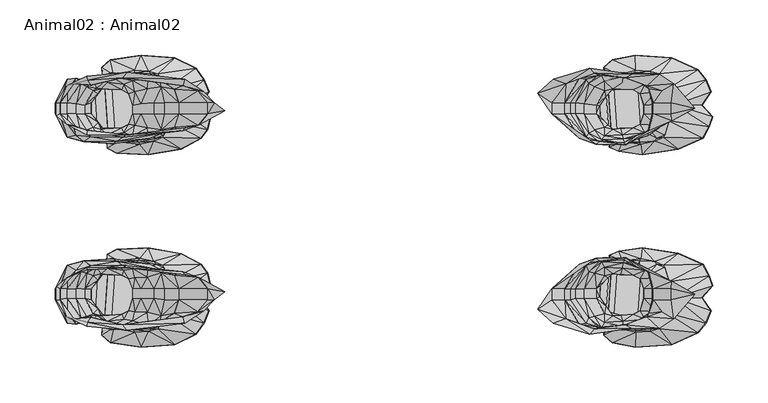
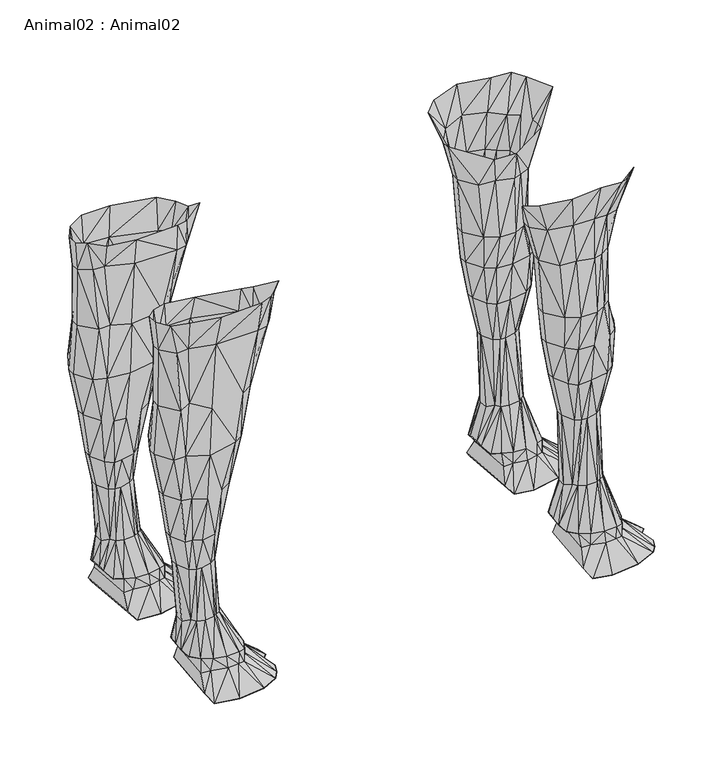
"""IFC4 building model written with IfcOpenShell, lengths in millimetres: geographic element geometry, Animal02 : Animal02."""

from ifc_helpers import new_model, si_unit, origin, place, context, project, spatial, triangles, source, transform, mapped, element, save


def animal02_animal02_50c117e9(model_context):
    return source(origin(), model_context, "Body", "Tessellation", [
        triangles([(-537.8951108, 141.2331943, -1.4274298), (-531.5727496, 50.8188594, -1.4274298), (-476.4529309, 65.9480595, -0.1113522), (-467.5698249, 85.2579954, -0.8477246), (-470.7738808, 76.2052504, -0.8477246), (-470.7738808, -58.8252293, -0.8477246), (-505.0025691, -121.5916698, -0.1113522), (-499.1945297, -38.5327815, -0.1113522), (-477.4254733, -78.6441186, -0.8477246), (-473.7796203, -101.8096741, -0.8477246), (-553.1861833, -36.5630185, -0.8477246), (-537.8951108, -123.8531687, -1.4274298), (-553.1861833, 53.9430373, -0.8477246), (-561.5911572, 57.7211179, 10.7463758), (-558.9914248, -119.5810639, -0.8477246), (-561.5911572, -40.3411014, 10.7463758), (-509.6357165, 110.0181665, 31.6157573), (-480.794381, 128.0339364, -0.1113522), (-524.7623005, 126.7641465, 31.6157573), (-516.4507439, 124.3216721, 30.4563464), (-505.0025691, 138.9716863, -0.1113522), (-553.6109393, 123.6594941, 32.1954617), (-558.9914248, 136.9610805, -0.8477246), (-537.6010154, 127.4227364, 31.6157573), (-566.6598885, 130.2070959, 10.7463758), (-499.1945297, 55.9127981, -0.1113522), (-532.9288078, 60.6074334, 31.6157573), (-520.3067222, 63.0464061, 31.6157573), (-549.351897, 62.7521335, 32.1954617), (-507.6579666, 81.7346458, 31.6157573), (-512.4159974, 66.6218601, 30.4563464), (-559.3822803, 64.8283104, 29.8766398), (-563.2547547, 120.20757, 29.8766398), (-473.7796203, 119.1896997, -0.8477246), (-469.1640953, 108.0571398, -0.8477246), (-477.4254733, 96.0241352, -0.8477246), (-502.1714192, 96.3292037, 31.6157573), (-467.5698249, -67.8779834, -0.8477246), (-469.1640953, -90.6771232, -0.8477246), (-502.1714192, -78.9491872, 31.6157573), (-553.6109393, -106.2794776, 32.1954617), (-566.6598885, -112.8270794, 10.7463758), (-563.2547547, -102.8275535, 29.8766398), (-537.6010154, -110.042729, 31.6157573), (-524.7623005, -109.38413, 31.6157573), (-480.794381, -110.6539199, -0.1113522), (-516.4507439, -106.9416555, 30.4563464), (-509.6357165, -92.6381409, 31.6157573), (-531.5727496, -33.438836, -1.4274298), (-532.9288078, -43.2274123, 31.6157573), (-549.351897, -45.372117, 32.1954617), (-559.3822803, -47.4482893, 29.8766398), (-476.4529309, -48.5680384, -0.1113522), (-507.6579666, -64.3546247, 31.6157573), (-520.3067222, -45.6663895, 31.6157573), (-512.4159974, -49.241839, 30.4563464), (-922.910309, 85.2167916, -0.8477283), (-932.7660301, 95.9829222, -0.8477283), (-929.1201044, 119.1484958, -0.8477283), (-931.7775003, -48.298946, -0.1113559), (-932.7660301, -78.6029057, -0.8477283), (-1022.0004089, -112.7858573, 10.7463724), (-1016.8707075, -39.4272219, 10.7463724), (-925.9316362, 73.5502117, -0.8477283), (-1017.0445341, 64.7870929, 29.8766375), (-986.2705404, 141.1919723, -1.4274335), (-979.3289583, 126.7229336, 31.6157505), (-971.0174017, 124.2804591, 30.4563418), (-955.6995867, 138.9304733, -0.1113559), (-1014.3319817, 136.9198675, -0.8477283), (-992.1676369, 127.3815325, 31.6157505), (-1022.0004089, 130.1658829, 10.7463724), (-1020.9170448, 120.166357, 29.8766375), (-1011.2731567, 123.6182902, 32.1954572), (-956.7381134, 96.2879908, 31.6157505), (-924.5046158, 108.0159268, -0.8477283), (-964.2024107, 109.9769445, 31.6157505), (-936.232461, 129.3881506, -0.1113559), (-979.9601698, 50.9505056, -1.4274335), (-987.4954657, 60.5662159, 31.6157505), (-974.8733437, 63.0051977, 31.6157505), (-949.9037195, 56.0444534, -0.1113559), (-966.9826189, 66.5806426, 30.4563418), (-1007.0141144, 62.7109251, 32.1954572), (-1008.4109041, 52.2450123, -0.8477283), (-1016.8707075, 56.8072384, 10.7463724), (-931.7775003, 65.678967, -0.1113559), (-962.2246244, 81.6934329, 31.6157505), (-1020.9170448, -102.7863405, 29.8766375), (-962.2246244, -64.3134118, 31.6157505), (-925.9316362, -56.1701906, -0.8477283), (-922.910309, -67.8367705, -0.8477283), (-929.1201044, -101.7684702, -0.8477283), (-964.2024107, -92.5969279, 31.6157505), (-936.232461, -112.0081341, -0.1113559), (-971.0174017, -106.9004426, 30.4563418), (-924.5046158, -90.6359103, -0.8477283), (-956.7381134, -78.9079742, 31.6157505), (-1014.3319817, -119.5398419, -0.8477283), (-1011.2731567, -106.2382737, 32.1954572), (-992.1676369, -110.0015069, 31.6157505), (-955.6995867, -121.5504568, -0.1113559), (-979.3289583, -109.3429261, 31.6157505), (-986.2705404, -123.8119557, -1.4274335), (-1017.0445341, -47.4070763, 29.8766375), (-1007.0141144, -45.330904, 32.1954572), (-1008.4109041, -34.8649935, -0.8477283), (-987.4954657, -43.1861994, 31.6157505), (-979.9601698, -33.570489, -1.4274335), (-974.8733437, -45.6251766, 31.6157505), (-949.9037195, -38.6644323, -0.1113559), (-966.9826189, -49.200626, 30.4563418)], [[2, 23, 13], [1, 23, 2], [2, 21, 1], [2, 26, 21], [3, 18, 26], [21, 26, 18], [36, 34, 18], [35, 34, 36], [5, 36, 3], [5, 4, 36], [36, 18, 3], [6, 9, 53], [6, 38, 9], [9, 46, 53], [53, 46, 8], [7, 8, 46], [9, 10, 46], [39, 10, 9], [49, 15, 11], [12, 15, 49], [49, 7, 12], [49, 8, 7], [14, 23, 25], [14, 13, 23], [16, 15, 42], [16, 11, 15], [17, 18, 34], [17, 20, 18], [21, 20, 19], [18, 20, 21], [19, 1, 21], [19, 24, 1], [23, 24, 22], [1, 24, 23], [22, 25, 23], [22, 33, 25], [27, 13, 29], [27, 2, 13], [2, 28, 26], [27, 28, 2], [14, 29, 13], [32, 29, 14], [3, 30, 5], [31, 30, 3], [31, 26, 28], [31, 3, 26], [14, 33, 32], [25, 33, 14], [34, 37, 17], [34, 35, 37], [37, 5, 30], [4, 5, 37], [37, 35, 36], [37, 36, 4], [16, 43, 52], [42, 43, 16], [40, 6, 54], [38, 6, 40], [40, 9, 38], [40, 39, 9], [10, 40, 48], [10, 39, 40], [41, 42, 15], [41, 43, 42], [15, 44, 41], [12, 44, 15], [45, 12, 7], [45, 44, 12], [7, 47, 45], [46, 47, 7], [48, 46, 10], [48, 47, 46], [50, 11, 51], [50, 49, 11], [49, 55, 8], [50, 55, 49], [16, 51, 11], [52, 51, 16], [53, 54, 6], [56, 54, 53], [56, 8, 55], [56, 53, 8], [58, 78, 87], [64, 58, 87], [64, 57, 58], [58, 59, 78], [76, 59, 58], [79, 70, 85], [66, 70, 79], [87, 78, 82], [69, 82, 78], [79, 69, 66], [79, 82, 69], [86, 70, 72], [86, 85, 70], [91, 61, 60], [91, 92, 61], [61, 95, 60], [61, 93, 95], [97, 93, 61], [60, 95, 111], [102, 111, 95], [109, 99, 107], [104, 99, 109], [109, 102, 104], [109, 111, 102], [63, 99, 62], [63, 107, 99], [75, 64, 88], [57, 64, 75], [75, 58, 57], [86, 73, 65], [72, 73, 86], [67, 66, 69], [67, 71, 66], [69, 68, 67], [78, 68, 69], [70, 71, 74], [66, 71, 70], [74, 72, 70], [74, 73, 72], [59, 75, 77], [59, 76, 75], [75, 76, 58], [77, 78, 59], [77, 68, 78], [79, 81, 82], [80, 81, 79], [83, 82, 81], [83, 87, 82], [80, 85, 84], [80, 79, 85], [86, 84, 85], [65, 84, 86], [87, 88, 64], [83, 88, 87], [63, 89, 105], [62, 89, 63], [98, 91, 90], [92, 91, 98], [94, 95, 93], [94, 96, 95], [98, 97, 61], [93, 98, 94], [93, 97, 98], [100, 62, 99], [100, 89, 62], [99, 101, 100], [104, 101, 99], [102, 96, 103], [95, 96, 102], [103, 104, 102], [103, 101, 104], [98, 61, 92], [60, 90, 91], [112, 90, 60], [63, 106, 107], [105, 106, 63], [108, 107, 106], [108, 109, 107], [112, 111, 110], [112, 60, 111], [109, 110, 111], [108, 110, 109]], closed=False),
        triangles([(-626.4339289, 106.7232187, 478.3261814), (-612.2993265, 119.200464, 481.6544666), (-579.1497148, 129.3646419, 484.5214065), (-541.2188905, 123.8585281, 482.6101132), (-503.2881389, 115.1070002, 476.2392085), (-516.3567089, 123.7800809, 481.0174052), (-513.9177226, 108.7583415, 435.6174511), (-505.1947449, 98.0631368, 433.3433167), (-505.0500226, 81.4723526, 432.4787255), (-484.0348083, 93.1904873, 470.1429236), (-484.0348083, -75.8104707, 470.1429236), (-505.1947449, -80.6831112, 433.3433167), (-503.2881389, -97.7269836, 476.2392085), (-513.9177226, -91.378325, 435.6174511), (-527.5711043, -96.0944888, 437.1335286), (-613.6633421, -70.8248739, 442.0608441), (-626.4339289, -89.3432021, 478.3261814), (-541.2188905, -106.4785025, 482.6101132), (-516.3567089, -106.4000552, 481.0174052), (-579.1497148, -111.9846253, 484.5214065), (-601.147718, -97.9069599, 443.9560046), (-612.2993265, -101.8204474, 481.6544666), (-505.0500226, -64.0923406, 432.4787255), (-1053.5418703, 113.6311727, 479.2053065), (-1035.223221, 118.3832537, 446.9881597), (-1047.2070826, 115.2869765, 443.9560046), (-1063.4629944, 98.0631368, 478.4472133), (-1063.4629944, 86.1032745, 478.4472133), (-925.9899176, 88.2048904, 433.3433167), (-910.4281494, 90.8442642, 473.2400093), (-1035.4453005, 122.0795033, 482.2374616), (-999.1728052, 125.5522292, 479.2053065), (-946.8094316, 119.3318513, 475.322622), (-948.3662407, 113.4745053, 437.1335286), (-929.7194138, 108.2993034, 471.1718579), (-920.0434782, 98.0631368, 467.8345253), (-934.7129316, 108.7583415, 435.6174511), (-1063.4629944, -68.7232534, 478.4472133), (-1059.722743, -70.8248739, 442.0608441), (-1063.4629944, -80.6831112, 478.4472133), (-925.9899176, -70.8248739, 433.3433167), (-920.0434782, -80.6831112, 467.8345253), (-910.4281494, -73.4642477, 473.2400093), (-929.7194138, -90.9192778, 471.1718579), (-948.3662407, -96.0944888, 437.1335286), (-999.1728052, -108.1722127, 479.2053065), (-946.8094316, -101.9518348, 475.322622), (-1053.5418703, -96.2511471, 479.2053065), (-1035.4453005, -104.6994868, 482.2374616), (-925.9899176, -80.6831112, 433.3433167), (-516.395224, 110.7076321, 285.7395174), (-522.6407367, 98.0631368, 324.76219), (-526.0540821, 112.5212841, 326.2782675), (-526.6352603, 118.144342, 285.3604889), (-535.5355891, 121.0246168, 327.7943813), (-568.5938184, 122.8411665, 285.7395174), (-510.7062907, 98.0631368, 286.8765846), (-596.5965786, 88.2048904, 327.415371), (-592.4872364, -79.5024965, 288.0136518), (-596.5965786, -70.8248739, 327.415371), (-510.7062907, -70.8248739, 286.8765846), (-596.5965786, -80.6831112, 327.415371), (-582.5639686, -101.9987069, 328.9314486), (-546.9134193, -107.9814267, 326.6573141), (-535.5355891, -103.6445912, 327.7943813), (-516.395224, -92.1469917, 285.7395174), (-522.6407367, -80.6831112, 324.76219), (-526.0540821, -95.1412585, 326.2782675), (-521.5029428, 98.0631368, 390.860045), (-546.9134193, 125.3614524, 326.6573141), (-570.4275727, 122.9807837, 398.8195518), (-567.3935283, 126.5037972, 328.1733916), (-582.5639686, 119.3787234, 328.9314486), (-601.9062472, 98.0631368, 396.1663708), (-522.6407367, 88.2048904, 324.76219), (-596.5965786, 98.0631368, 327.415371), (-601.9062472, 88.2048904, 396.1663708), (-522.6407367, -70.8248739, 324.76219), (-601.9062472, -80.6831112, 396.1663708), (-589.0113948, -102.9797698, 397.6824483), (-570.4275727, -105.6007581, 398.8195518), (-567.3935283, -109.1237807, 328.1733916), (-519.3770551, 108.1883909, 239.543082), (-539.9023284, 109.7165316, 187.6507371), (-529.1534932, 114.8993003, 237.8061423), (-549.4614833, 116.5798481, 236.503442), (-565.9098979, 117.6629579, 236.7205617), (-584.1591474, 97.3202679, 239.3259623), (-573.5766174, 88.2048904, 188.3021145), (-584.1591474, 88.2048904, 239.3259623), (-565.9098979, -101.1432813, 236.7205617), (-573.5766174, -70.8248739, 188.3021145), (-584.1591474, -79.5024965, 239.3259623), (-574.8172757, -95.8406616, 238.2403818), (-530.1259266, -79.5024965, 188.9534556), (-513.72849, -70.8248739, 240.411561), (-539.9023284, -93.970654, 187.6507371), (-513.72849, -79.5024965, 240.411561), (-548.8097062, 122.1982915, 284.2234035), (-574.8172757, 112.3603382, 238.2403818), (-580.3509132, 115.7336062, 286.8765846), (-513.72849, 97.3202679, 240.411561), (-513.72849, 88.2048904, 240.411561), (-510.7062907, 88.2048904, 286.8765846), (-592.4872364, 88.2048904, 288.0136518), (-592.4872364, 98.0631368, 288.0136518), (-584.1591474, -70.8248739, 239.3259623), (-592.4872364, -70.8248739, 288.0136518), (-580.3509132, -97.1729749, 286.8765846), (-568.5938184, -105.9693948, 285.7395174), (-549.4614833, -100.0601806, 236.503442), (-548.8097062, -105.3265016, 284.2234035), (-529.1534932, -98.3796146, 237.8061423), (-526.6352603, -99.5837017, 285.3604889), (-519.3770551, -91.6687233, 239.543082), (-510.7062907, -79.5024965, 286.8765846), (-1064.316794, 88.2048904, 310.7873162), (-964.814946, 98.0631368, 308.1341352), (-951.9825171, 98.0631368, 365.8771949), (-1012.9713816, 125.3614524, 307.8083193), (-979.5668798, 121.0246168, 311.1663629), (-1053.3793802, 119.3787234, 312.3034301), (-1045.4269587, 120.3597955, 372.6995982), (-956.1543554, 110.5078714, 367.3932724), (-968.2281824, 112.5212841, 309.650249), (-1038.2089399, 118.4211601, 311.5453732), (-1008.9389242, 122.9705736, 364.2753304), (-1053.3793802, -101.9987069, 312.3034301), (-1064.316794, -80.6831112, 310.7873162), (-1064.316794, -70.8248739, 310.7873162), (-956.1543554, -93.1278639, 367.3932724), (-979.5668798, -103.6445912, 311.1663629), (-1008.9389242, -105.590548, 364.2753304), (-968.7253904, -100.858206, 367.3748142), (-1038.2089399, -101.0411436, 311.5453732), (-951.9825171, -80.6831112, 365.8771949), (-1017.181735, 116.5798481, 196.2316814), (-1044.9902121, 97.3202679, 199.0542199), (-1029.5007505, 108.9876698, 159.0938138), (-1035.6483404, 112.3603382, 197.9686393), (-1003.8648153, 109.7165316, 159.745173), (-992.1076841, 108.1883909, 199.2713396), (-1044.9902121, 88.2048904, 199.0542199), (-1037.539068, 88.2048904, 160.3965141), (-1003.8648153, -93.970654, 159.745173), (-1029.5007505, -93.2417923, 159.0938138), (-1026.7408899, -94.515579, 196.4488193), (-1022.3314207, -95.1150791, 158.2253348), (-1037.539068, -79.5024965, 160.3965141), (-1044.9902121, -70.8248739, 199.0542199), (-986.4590464, -79.5024965, 200.1398186), (-986.4590464, -70.8248739, 200.1398186), (-994.0884499, -79.5024965, 161.0478733), (-1026.7408899, 111.0352556, 196.4488193), (-1014.185697, 122.1982915, 250.7849831), (-986.4590464, 97.3202679, 200.1398186), (-1029.4248831, 116.77702, 252.3010969), (-1041.1818689, 115.7336062, 253.4381641), (-994.0787848, 118.144342, 251.9220685), (-1001.8841223, 114.8993003, 197.5343998), (-986.4590464, 88.2048904, 200.1398186), (-1053.3182648, 88.2048904, 254.5752314), (-1053.3182648, -79.5024965, 254.5752314), (-975.0546553, -79.5024965, 253.4381641), (-975.0546553, -70.8248739, 253.4381641), (-1014.185697, -105.3265016, 250.7849831), (-1001.8841223, -98.3796146, 197.5343998), (-1044.9902121, -79.5024965, 199.0542199), (-1035.6483404, -95.8406616, 197.9686393), (-992.1076841, -91.6687233, 199.2713396), (-1017.181735, -100.0601806, 196.2316814), (-975.0546553, 98.0631368, 253.4381641), (-975.0546553, 88.2048904, 253.4381641), (-964.814946, 88.2048904, 308.1341352), (-1064.316794, 98.0631368, 310.7873162), (-1053.3182648, 98.0631368, 254.5752314), (-980.7435522, 110.7076321, 252.3010969), (-1053.3182648, -70.8248739, 254.5752314), (-1041.1818689, -97.1729749, 253.4381641), (-980.7435522, -92.1469917, 252.3010969), (-1012.9713816, -107.9814267, 307.8083193), (-994.0787848, -99.5837017, 251.9220685), (-1029.4248831, -98.2163796, 252.3010969), (-964.814946, -70.8248739, 308.1341352), (-964.814946, -80.6831112, 308.1341352), (-968.2281824, -95.1412585, 309.650249), (-516.4507439, 124.3216721, 30.4563464), (-509.6357165, 110.0181665, 31.6157573), (-522.5199955, 124.269277, 44.6330678), (-524.7623005, 126.7641465, 31.6157573), (-553.6109393, 123.6594941, 32.1954617), (-537.6010154, 127.4227364, 31.6157573), (-507.0622181, 82.0445015, 44.4181236), (-507.6579666, 81.7346458, 31.6157573), (-502.1714192, 96.3292037, 31.6157573), (-509.002652, 109.794234, 44.4181236), (-507.0622181, -64.6644805, 44.4181236), (-502.1714192, -78.9491872, 31.6157573), (-507.6579666, -64.3546247, 31.6157573), (-524.7623005, -109.38413, 31.6157573), (-516.4507439, -106.9416555, 30.4563464), (-553.736295, -106.2233037, 46.1376953), (-537.6010154, -110.042729, 31.6157573), (-522.5199955, -106.8892605, 44.6330678), (-509.6357165, -92.6381409, 31.6157573), (-571.0196877, 71.6861903, 45.9227465), (-573.4919932, 107.0412952, 45.9227465), (-561.6201888, 66.7656558, 46.352644), (-565.1560558, 117.3313829, 46.352644), (-563.2547547, 120.20757, 29.8766398), (-559.3822803, 64.8283104, 29.8766398), (-561.6201888, -49.3856347, 46.352644), (-571.0196877, -54.3061738, 45.9227465), (-578.4441982, -61.8150632, 54.3056787), (-580.126472, -85.8731105, 54.3056787), (-563.2547547, -102.8275535, 29.8766398), (-559.3822803, -47.4482893, 29.8766398), (-553.6109393, -106.2794776, 32.1954617), (-582.1599235, 95.3331072, 59.4643982), (-581.3048158, 83.1045658, 59.4643982), (-580.126472, 103.253118, 54.3056787), (-578.4441982, 79.1950843, 54.3056787), (-515.0742654, 122.6230748, 44.8480165), (-530.7807195, 108.9962631, 101.9471475), (-536.1610233, 111.9385162, 102.1620872), (-538.3440296, 125.4818847, 45.2779094), (-553.736295, 123.6033202, 46.1376953), (-552.8112788, 113.4574915, 101.7321988), (-560.9391984, 109.4434287, 101.3023014), (-570.2980748, 95.2827651, 97.0033723), (-569.6103988, -68.0685196, 97.0033723), (-582.1599235, -77.9530816, 59.4643982), (-581.3048158, -65.7245493, 59.4643982), (-573.4919932, -89.6612695, 45.9227465), (-560.9391984, -92.0634122, 101.3023014), (-565.1560558, -99.9513573, 46.352644), (-552.8112788, -96.0774658, 101.7321988), (-538.3440296, -108.1018682, 45.2779094), (-539.9766335, -96.7073874, 102.1620872), (-515.0742654, -105.2430583, 44.8480165), (-530.7807195, -91.6162556, 101.9471475), (-509.002652, -92.4142083, 44.4181236), (-526.5858447, -80.9594024, 102.5919846), (-1036.726545, 95.2918852, 59.4643936), (-1031.519886, 88.2048904, 86.9775943), (-1031.519886, -70.8248739, 86.9775943), (-1025.5863092, 71.6449773, 45.9227465), (-961.6288033, 82.0032886, 44.4181145), (-963.5693098, 109.7530119, 44.4181145), (-962.2246244, 81.6934329, 31.6157505), (-956.7381134, 96.2879908, 31.6157505), (-1020.9170448, 120.166357, 29.8766375), (-1017.0445341, 64.7870929, 29.8766375), (-1016.1868103, 66.7244474, 46.3526349), (-969.6408869, 122.5818619, 44.848012), (-971.0174017, 124.2804591, 30.4563418), (-1008.3029892, 123.5621073, 46.1376953), (-992.1676369, 127.3815325, 31.6157505), (-1011.2731567, 123.6182902, 32.1954572), (-979.3289583, 126.7229336, 31.6157505), (-977.0866533, 124.2280641, 44.6330633), (-964.2024107, 109.9769445, 31.6157505), (-1033.0107834, -61.7738502, 54.3056742), (-1028.0585421, -89.6200657, 45.9227465), (-1025.5863092, -54.2649608, 45.9227465), (-1016.1868103, -49.3444263, 46.3526349), (-1020.9170448, -102.7863405, 29.8766375), (-1017.0445341, -47.4070763, 29.8766375), (-962.2246244, -64.3134118, 31.6157505), (-956.7381134, -78.9079742, 31.6157505), (-971.0174017, -106.9004426, 30.4563418), (-969.6408869, -105.2018362, 44.848012), (-964.2024107, -92.5969279, 31.6157505), (-992.1676369, -110.0015069, 31.6157505), (-979.3289583, -109.3429261, 31.6157505), (-1011.2731567, -106.2382737, 32.1954572), (-1019.7227137, -99.9101534, 46.3526349), (-977.0866533, -106.8480475, 44.6330633), (-1033.0107834, 79.1538622, 54.3056742), (-1035.8714373, 83.063362, 59.4643936), (-1035.8714373, -65.6833409, 59.4643936), (-987.3540499, 88.4639771, 92.5662067), (-1028.0585421, 107.0000822, 45.9227465), (-1019.7227137, 117.2901609, 46.3526349), (-1021.1960249, 111.5364605, 91.2765234), (-1034.6931662, 103.2119141, 54.3056742), (-992.9106874, 125.4406808, 45.2779049), (-1001.4324783, 114.046191, 92.1363183), (-997.6169409, 111.8973033, 92.1363183), (-992.2366007, 108.9550592, 91.9213605), (-1012.8078741, 114.9737597, 91.7064209), (-988.0417259, -80.9181804, 92.5662067), (-961.6288033, -64.623272, 44.4181145), (-963.5693098, -92.3729954, 44.4181145), (-1012.8078741, -97.5937432, 91.7064209), (-1008.3029892, -106.1820998, 46.1376953), (-992.9106874, -108.0606643, 45.2779049), (-1034.6931662, -85.8318885, 54.3056742), (-1031.519886, -80.6831112, 86.9775943), (-1036.726545, -77.9118686, 59.4643936), (-1021.1960249, -94.1564439, 91.2765234), (-530.1259266, 95.8674314, 188.9534556), (-526.5858447, 98.3394099, 102.5919846), (-533.6019862, 106.4352548, 188.9534556), (-539.9766335, 114.087404, 102.1620872), (-551.1994949, 110.2441702, 185.4795761), (-558.3688611, 110.8609657, 186.1309171), (-564.6313786, 103.6614143, 101.3023014), (-565.5382636, 108.9876698, 186.9993961), (-525.8981687, 88.50519, 102.5919846), (-530.1259266, 88.2048904, 188.9534556), (-569.6103988, 85.4485361, 97.0033723), (-573.5766174, 95.8674314, 188.3021145), (-1015.1619455, 110.2441702, 157.5739756), (-997.5644732, 106.4352548, 161.0478733), (-994.0884499, 95.8674314, 161.0478733), (-988.0417259, 98.298206, 92.5662067), (-994.0884499, 88.2048904, 161.0478733), (-1031.519886, 98.0631368, 86.9775943), (-1037.539068, 95.8674314, 160.3965141), (-1022.3314207, 110.8609657, 158.2253348), (-1025.282476, 106.0260864, 91.2765234), (-1025.282476, -88.6460699, 91.2765234), (-987.3540499, -71.0839605, 92.5662067), (-994.0884499, -70.8248739, 161.0478733), (-992.2366007, -91.5750426, 91.9213605), (-997.5644732, -90.6893681, 161.0478733), (-997.6169409, -94.5172867, 92.1363183), (-1015.1619455, -94.4982926, 157.5739756), (-1001.4324783, -96.6661654, 92.1363183), (-1037.539068, -70.8248739, 160.3965141), (-525.8981687, -71.125178, 102.5919846), (-530.1259266, -70.8248739, 188.9534556), (-558.3688611, -95.1150791, 186.1309171), (-551.1994949, -94.4982926, 185.4795761), (-536.1610233, -94.5584997, 102.1620872), (-533.6019862, -90.6893681, 188.9534556), (-570.2980748, -77.9027395, 97.0033723), (-573.5766174, -79.5024965, 188.3021145), (-565.5382636, -93.2417923, 186.9993961), (-564.6313786, -86.2813886, 101.3023014), (-525.6747811, 110.5078714, 392.3761225), (-537.0526477, 118.2382316, 392.7551328), (-527.5711043, 113.4745053, 437.1335286), (-575.3580131, 124.5919953, 446.9881597), (-548.4304779, 122.9705736, 395.0293036), (-547.2926476, 120.8380548, 443.1979477), (-589.0113948, 120.3597955, 397.6824483), (-601.147718, 115.2869765, 443.9560046), (-613.6633421, 98.0631368, 442.0608441), (-521.5029428, 88.2048904, 390.860045), (-505.1947449, 88.2048904, 433.3433167), (-613.6633421, 88.2048904, 442.0608441), (-1059.722743, 98.0631368, 442.0608441), (-1060.1789652, 88.2048904, 371.1835207), (-1059.722743, 88.2048904, 442.0608441), (-1060.1789652, 98.0631368, 371.1835207), (-951.9825171, 88.2048904, 365.8771949), (-925.9899176, 98.0631368, 433.3433167), (-1031.7955233, 114.1282172, 373.8367018), (-1002.7840673, 120.8380548, 443.1979477), (-968.7253904, 118.2382316, 367.3748142), (-1060.1789652, -80.6831112, 371.1835207), (-1060.1789652, -70.8248739, 371.1835207), (-1047.2070826, -97.9069599, 443.9560046), (-1059.722743, -80.6831112, 442.0608441), (-934.7129316, -91.378325, 435.6174511), (-1045.4269587, -102.9797698, 372.6995982), (-1031.7955233, -96.7482098, 373.8367018), (-951.9825171, -70.8248739, 365.8771949), (-1035.223221, -101.0032371, 446.9881597), (-1002.7840673, -103.4580382, 443.1979477), (-601.9062472, -70.8248739, 396.1663708), (-613.6633421, -80.6831112, 442.0608441), (-537.0526477, -100.858206, 392.7551328), (-548.4304779, -105.590548, 395.0293036), (-547.2926476, -103.4580382, 443.1979477), (-525.6747811, -93.1278639, 392.3761225), (-575.3580131, -107.2119788, 446.9881597), (-521.5029428, -70.8248739, 390.860045), (-521.5029428, -80.6831112, 390.860045), (-505.1947449, -70.8248739, 433.3433167)], [[1, 349, 350], [1, 2, 349], [3, 349, 2], [345, 349, 3], [345, 4, 347], [345, 3, 4], [6, 347, 4], [344, 347, 6], [344, 5, 7], [344, 6, 5], [8, 5, 10], [7, 5, 8], [10, 352, 8], [10, 9, 352], [1, 350, 353], [13, 12, 11], [13, 14, 12], [13, 15, 14], [19, 15, 13], [374, 17, 16], [21, 20, 22], [21, 379, 20], [377, 19, 18], [377, 15, 19], [18, 379, 377], [20, 379, 18], [21, 17, 374], [22, 17, 21], [382, 11, 12], [23, 11, 382], [25, 24, 31], [26, 24, 25], [354, 24, 26], [354, 27, 24], [354, 356, 28], [28, 27, 354], [36, 29, 359], [36, 30, 29], [25, 32, 361], [25, 31, 32], [33, 361, 32], [34, 361, 33], [34, 35, 37], [34, 33, 35], [36, 37, 35], [359, 37, 36], [40, 39, 38], [40, 366, 39], [42, 41, 50], [42, 43, 41], [45, 44, 367], [45, 47, 44], [47, 372, 46], [45, 372, 47], [366, 48, 365], [366, 40, 48], [371, 48, 49], [365, 48, 371], [371, 46, 372], [371, 49, 46], [42, 367, 44], [50, 367, 42], [51, 52, 57], [53, 52, 51], [53, 54, 55], [53, 51, 54], [99, 55, 54], [70, 55, 99], [70, 56, 72], [70, 99, 56], [101, 72, 56], [73, 72, 101], [73, 106, 76], [73, 101, 106], [104, 57, 75], [52, 75, 57], [106, 105, 76], [58, 76, 105], [60, 59, 62], [60, 108, 59], [116, 61, 78], [78, 67, 116], [62, 109, 63], [59, 109, 62], [82, 109, 110], [82, 63, 109], [110, 64, 82], [112, 64, 110], [65, 112, 114], [65, 64, 112], [114, 68, 65], [66, 68, 114], [67, 66, 116], [67, 68, 66], [53, 69, 52], [342, 69, 53], [342, 55, 343], [342, 53, 55], [70, 343, 55], [346, 343, 70], [346, 72, 71], [346, 70, 72], [73, 71, 72], [348, 71, 73], [73, 74, 348], [73, 76, 74], [75, 52, 69], [69, 351, 75], [76, 58, 77], [77, 74, 76], [67, 78, 381], [380, 381, 78], [60, 62, 373], [79, 373, 62], [79, 63, 80], [62, 63, 79], [81, 63, 82], [81, 80, 63], [82, 376, 81], [64, 376, 82], [375, 64, 65], [375, 376, 64], [65, 378, 375], [68, 378, 65], [381, 68, 67], [381, 378, 68], [83, 302, 304], [102, 302, 83], [304, 85, 83], [304, 84, 85], [86, 84, 306], [85, 84, 86], [86, 307, 87], [86, 306, 307], [309, 87, 307], [100, 87, 309], [100, 313, 88], [100, 309, 313], [311, 302, 103], [102, 103, 302], [313, 89, 88], [90, 88, 89], [91, 340, 334], [91, 94, 340], [334, 111, 91], [335, 111, 334], [97, 111, 335], [97, 113, 111], [92, 339, 93], [93, 107, 92], [339, 94, 93], [340, 94, 339], [95, 333, 96], [96, 98, 95], [113, 337, 115], [97, 337, 113], [95, 115, 337], [95, 98, 115], [51, 102, 83], [57, 102, 51], [83, 54, 51], [83, 85, 54], [99, 85, 86], [54, 85, 99], [99, 87, 56], [99, 86, 87], [100, 56, 87], [101, 56, 100], [101, 88, 106], [101, 100, 88], [103, 102, 57], [57, 104, 103], [106, 90, 105], [106, 88, 90], [107, 93, 108], [59, 108, 93], [98, 96, 116], [61, 116, 96], [93, 109, 59], [94, 109, 93], [110, 94, 91], [110, 109, 94], [91, 112, 110], [111, 112, 91], [113, 112, 111], [113, 114, 112], [114, 115, 66], [113, 115, 114], [98, 66, 115], [98, 116, 66], [175, 117, 355], [355, 357, 175], [174, 118, 119], [119, 358, 174], [127, 121, 120], [362, 121, 127], [123, 126, 122], [360, 126, 123], [122, 357, 123], [122, 175, 357], [125, 362, 124], [125, 121, 362], [125, 119, 118], [124, 119, 125], [127, 126, 360], [127, 120, 126], [128, 363, 368], [128, 129, 363], [129, 130, 364], [364, 363, 129], [186, 134, 131], [186, 132, 134], [133, 132, 181], [134, 132, 133], [133, 135, 369], [133, 181, 135], [368, 135, 128], [369, 135, 368], [184, 185, 136], [136, 370, 184], [186, 136, 185], [131, 136, 186], [137, 321, 154], [137, 314, 321], [140, 320, 138], [140, 139, 320], [139, 154, 321], [140, 154, 139], [137, 141, 314], [160, 141, 137], [315, 160, 142], [315, 141, 160], [142, 316, 315], [156, 316, 142], [318, 316, 161], [156, 161, 316], [320, 143, 138], [144, 143, 320], [171, 145, 329], [167, 145, 171], [146, 147, 148], [169, 147, 146], [171, 148, 147], [171, 329, 148], [149, 331, 168], [150, 168, 331], [169, 149, 168], [169, 146, 149], [325, 153, 152], [151, 152, 153], [170, 153, 327], [151, 153, 170], [327, 167, 170], [327, 145, 167], [155, 154, 157], [155, 137, 154], [177, 156, 142], [172, 156, 177], [140, 157, 154], [158, 157, 140], [158, 138, 176], [158, 140, 138], [142, 159, 177], [142, 160, 159], [155, 160, 137], [159, 160, 155], [173, 156, 172], [173, 161, 156], [138, 143, 162], [162, 176, 138], [168, 150, 178], [178, 163, 168], [152, 151, 164], [164, 165, 152], [166, 167, 171], [182, 167, 166], [170, 182, 180], [170, 167, 182], [179, 168, 163], [179, 169, 168], [169, 183, 147], [179, 183, 169], [180, 151, 170], [164, 151, 180], [166, 147, 183], [166, 171, 147], [125, 172, 177], [118, 172, 125], [173, 172, 174], [118, 174, 172], [120, 157, 126], [120, 155, 157], [120, 159, 155], [121, 159, 120], [158, 126, 157], [122, 126, 158], [122, 176, 175], [122, 158, 176], [177, 121, 125], [177, 159, 121], [176, 162, 175], [117, 175, 162], [163, 178, 129], [130, 129, 178], [128, 163, 129], [128, 179, 163], [180, 132, 186], [180, 182, 132], [179, 135, 183], [128, 135, 179], [181, 182, 166], [132, 182, 181], [181, 183, 135], [181, 166, 183], [165, 185, 184], [164, 185, 165], [186, 164, 180], [185, 164, 186], [223, 188, 187], [196, 188, 223], [187, 189, 223], [187, 190, 189], [226, 190, 192], [189, 190, 226], [226, 191, 227], [226, 192, 191], [195, 188, 196], [194, 195, 193], [195, 196, 193], [242, 198, 197], [198, 199, 197], [204, 201, 240], [200, 201, 204], [218, 238, 202], [203, 238, 218], [200, 238, 203], [200, 204, 238], [205, 198, 242], [205, 240, 201], [205, 242, 240], [221, 206, 222], [221, 207, 206], [206, 209, 208], [206, 207, 209], [210, 208, 209], [211, 208, 210], [236, 213, 212], [234, 213, 236], [213, 215, 214], [234, 215, 213], [236, 217, 216], [236, 212, 217], [209, 191, 210], [227, 191, 209], [218, 236, 216], [218, 202, 236], [221, 220, 219], [222, 220, 221], [233, 215, 232], [233, 214, 215], [224, 196, 223], [303, 196, 224], [224, 189, 225], [224, 223, 189], [226, 225, 189], [305, 225, 226], [305, 227, 228], [305, 226, 227], [209, 228, 227], [229, 228, 209], [229, 209, 207], [221, 229, 207], [308, 229, 221], [221, 230, 308], [221, 219, 230], [193, 303, 310], [196, 303, 193], [219, 312, 230], [220, 312, 219], [231, 232, 338], [231, 233, 232], [243, 197, 332], [243, 242, 197], [338, 215, 341], [232, 215, 338], [235, 215, 234], [235, 341, 215], [236, 235, 234], [237, 236, 202], [237, 235, 236], [202, 239, 237], [238, 239, 202], [336, 238, 204], [336, 239, 238], [204, 241, 336], [240, 241, 204], [242, 241, 240], [242, 243, 241], [244, 245, 319], [280, 245, 244], [300, 246, 299], [281, 246, 300], [283, 254, 247], [283, 284, 254], [286, 247, 279], [286, 283, 247], [251, 249, 248], [250, 251, 248], [252, 254, 284], [253, 254, 252], [256, 261, 255], [256, 260, 261], [284, 259, 252], [257, 259, 284], [258, 257, 287], [258, 259, 257], [287, 260, 258], [261, 260, 287], [251, 262, 249], [255, 262, 256], [249, 262, 255], [298, 265, 263], [298, 264, 265], [264, 266, 265], [264, 277, 266], [267, 266, 277], [268, 266, 267], [269, 270, 293], [270, 294, 293], [270, 273, 294], [272, 273, 271], [294, 273, 272], [297, 275, 274], [278, 275, 297], [274, 296, 297], [274, 276, 296], [277, 276, 267], [296, 276, 277], [271, 278, 272], [271, 275, 278], [286, 280, 244], [279, 280, 286], [298, 281, 300], [263, 281, 298], [249, 282, 248], [317, 282, 249], [285, 284, 283], [286, 285, 283], [322, 285, 286], [286, 319, 322], [286, 244, 319], [287, 289, 261], [288, 289, 287], [290, 261, 289], [290, 255, 261], [290, 249, 255], [317, 249, 290], [288, 257, 291], [288, 287, 257], [284, 291, 257], [285, 291, 284], [293, 292, 324], [294, 292, 293], [277, 295, 296], [301, 295, 277], [330, 296, 295], [330, 297, 296], [326, 294, 272], [292, 294, 326], [326, 278, 328], [326, 272, 278], [297, 328, 278], [330, 328, 297], [298, 299, 323], [298, 300, 299], [298, 301, 264], [323, 301, 298], [301, 277, 264], [304, 303, 224], [302, 303, 304], [224, 84, 304], [224, 225, 84], [84, 225, 305], [305, 306, 84], [305, 228, 306], [229, 306, 228], [307, 306, 229], [307, 308, 309], [307, 229, 308], [313, 308, 230], [309, 308, 313], [302, 310, 303], [302, 311, 310], [89, 230, 312], [89, 313, 230], [141, 289, 288], [288, 314, 141], [288, 291, 314], [290, 141, 315], [290, 289, 141], [315, 317, 290], [316, 317, 315], [316, 282, 317], [316, 318, 282], [320, 245, 144], [320, 319, 245], [285, 314, 291], [321, 314, 285], [321, 322, 139], [321, 285, 322], [320, 322, 319], [139, 322, 320], [148, 323, 146], [148, 301, 323], [301, 329, 295], [148, 329, 301], [153, 324, 292], [153, 325, 324], [327, 292, 326], [153, 292, 327], [327, 328, 145], [327, 326, 328], [330, 329, 145], [330, 295, 329], [145, 328, 330], [149, 323, 299], [146, 323, 149], [299, 246, 331], [331, 149, 299], [332, 95, 243], [333, 95, 332], [341, 334, 340], [235, 334, 341], [335, 235, 237], [335, 334, 235], [335, 239, 97], [237, 239, 335], [336, 97, 239], [97, 241, 337], [336, 241, 97], [243, 337, 241], [243, 95, 337], [338, 92, 231], [339, 92, 338], [341, 339, 338], [341, 340, 339], [7, 69, 342], [8, 69, 7], [342, 344, 7], [342, 343, 344], [346, 344, 343], [347, 344, 346], [347, 71, 345], [347, 346, 71], [348, 345, 71], [349, 345, 348], [349, 74, 350], [349, 348, 74], [351, 69, 352], [8, 352, 69], [74, 77, 350], [353, 350, 77], [357, 355, 354], [356, 354, 355], [123, 354, 26], [123, 357, 354], [358, 119, 29], [359, 29, 119], [124, 34, 37], [124, 362, 34], [37, 119, 124], [359, 119, 37], [26, 360, 123], [25, 360, 26], [361, 360, 25], [361, 127, 360], [361, 362, 127], [34, 362, 361], [363, 364, 366], [39, 366, 364], [368, 366, 365], [368, 363, 366], [131, 45, 367], [131, 134, 45], [365, 369, 368], [371, 369, 365], [367, 136, 131], [50, 136, 367], [370, 136, 41], [50, 41, 136], [372, 134, 133], [45, 134, 372], [372, 369, 371], [372, 133, 369], [373, 79, 374], [374, 16, 373], [79, 21, 374], [80, 21, 79], [15, 376, 375], [15, 377, 376], [15, 378, 14], [375, 378, 15], [379, 80, 81], [379, 21, 80], [81, 377, 379], [376, 377, 81], [381, 380, 382], [382, 12, 381], [381, 14, 378], [381, 12, 14]], closed=False),
        triangles([(-910.4281494, 90.8442642, 473.2400093), (-925.9899176, 88.2048904, 433.3433167), (-933.6968599, 77.9687238, 466.2078441), (-1053.5418703, 78.2999899, 479.2053065), (-1063.4629944, 86.1032745, 478.4472133), (-1035.223221, 73.0575501, 446.9881597), (-946.2125204, 75.2049072, 466.4817372), (-999.1728052, 69.082988, 470.0866044), (-1035.4453005, 68.8476917, 474.8285751), (-1035.4453005, -51.4676751, 474.8285751), (-1053.5418703, -60.9199734, 479.2053065), (-1063.4629944, -68.7232534, 478.4472133), (-910.4281494, -73.4642477, 473.2400093), (-933.6968599, -60.5887073, 466.2078441), (-946.2125204, -57.8248861, 466.4817372), (-1002.7840673, -49.3792852, 443.1979477), (-999.1728052, -51.7029669, 470.0866044), (-522.6407367, 88.2048904, 324.76219), (-526.0540821, 73.7467522, 326.2782675), (-596.5965786, 88.2048904, 327.415371), (-592.4872364, 88.2048904, 288.0136518), (-580.3509132, 70.534412, 286.8765846), (-568.5938184, 64.5527504, 285.7395174), (-567.3935283, 59.76423, 328.1733916), (-548.8097062, 65.195639, 284.2234035), (-546.9134193, 60.9065703, 326.6573141), (-535.5355891, 65.2434195, 327.7943813), (-510.7062907, -70.8248739, 286.8765846), (-522.6407367, -70.8248739, 324.76219), (-592.4872364, -70.8248739, 288.0136518), (-535.5355891, -47.8633984, 327.7943813), (-526.0540821, -56.3667311, 326.2782675), (-526.6352603, -52.7113674, 285.3604889), (-546.9134193, -43.5265538, 326.6573141), (-537.0526477, 68.0298047, 392.7551328), (-548.4304779, 61.7025882, 395.0293036), (-582.5639686, 66.8892992, 328.9314486), (-601.9062472, 88.2048904, 396.1663708), (-601.9062472, -70.8248739, 396.1663708), (-596.5965786, -70.8248739, 327.415371), (-582.5639686, -49.5092827, 328.9314486), (-537.0526477, -50.6497836, 392.7551328), (-548.4304779, -44.3225717, 395.0293036), (-567.3935283, -42.3842089, 328.1733916), (-530.1259266, 88.2048904, 188.9534556), (-513.72849, 88.2048904, 240.411561), (-533.6019862, 78.5487393, 188.9534556), (-551.1994949, 74.7398193, 185.4795761), (-565.9098979, 68.0948261, 236.7205617), (-574.8172757, 73.3974458, 238.2403818), (-565.5382636, 75.9963197, 186.9993961), (-558.3688611, 74.1230238, 186.1309171), (-549.4614833, 69.1779359, 236.503442), (-573.5766174, -70.8248739, 188.3021145), (-574.8172757, -56.4544075, 238.2403818), (-565.5382636, -59.0532814, 186.9993961), (-558.3688611, -57.17999, 186.1309171), (-551.1994949, -57.796781, 185.4795761), (-519.3770551, -60.6263503, 239.543082), (-529.1534932, -53.9154545, 237.8061423), (-529.1534932, 70.8584974, 237.8061423), (-526.6352603, 68.1236807, 285.3604889), (-519.3770551, 77.5693932, 239.543082), (-584.1591474, 88.2048904, 239.3259623), (-516.395224, 75.5603951, 285.7395174), (-510.7062907, 88.2048904, 286.8765846), (-584.1591474, -70.8248739, 239.3259623), (-513.72849, -70.8248739, 240.411561), (-516.395224, -60.1480774, 285.7395174), (-565.9098979, -51.1517878, 236.7205617), (-568.5938184, -46.3256789, 285.7395174), (-580.3509132, -55.1220942, 286.8765846), (-548.8097062, -46.968563, 284.2234035), (-549.4614833, -52.234893, 236.503442), (-964.814946, 88.2048904, 308.1341352), (-1060.1789652, 88.2048904, 371.1835207), (-1053.3793802, 66.8892992, 312.3034301), (-956.1543554, 75.7601468, 367.3932724), (-1045.4269587, 68.3603804, 372.6995982), (-979.5668798, 65.2434195, 311.1663629), (-1060.1789652, -70.8248739, 371.1835207), (-1064.316794, -70.8248739, 310.7873162), (-964.814946, -70.8248739, 308.1341352), (-1011.8602575, -43.5265538, 310.0292593), (-967.5321493, -53.7259539, 367.7722827), (-979.5668798, -47.8633984, 311.1663629), (-968.2281824, -56.3667311, 309.650249), (-1038.2089399, -45.4885797, 311.5453732), (-1008.5411287, -45.9174416, 370.0464535), (-986.4590464, 88.2048904, 200.1398186), (-994.0884499, 88.2048904, 161.0478733), (-1037.539068, 88.2048904, 160.3965141), (-1029.5007505, 75.9963197, 159.0938138), (-1035.6483404, 73.3974458, 197.9686393), (-1001.8841223, 70.8584974, 197.5343998), (-997.5644732, 78.5487393, 161.0478733), (-1003.8648153, 75.2674488, 159.745173), (-1022.3314207, 74.1230238, 158.2253348), (-1026.7408899, 68.0948261, 196.4488193), (-997.5644732, -61.605701, 161.0478733), (-994.0884499, -70.8248739, 161.0478733), (-986.4590464, -70.8248739, 200.1398186), (-1035.6483404, -56.4544075, 197.9686393), (-1026.7408899, -51.1517878, 196.4488193), (-1001.8841223, -53.9154545, 197.5343998), (-1053.3182648, 88.2048904, 254.5752314), (-1044.9902121, 88.2048904, 199.0542199), (-1041.1818689, 70.534412, 253.4381641), (-1017.181735, 69.1779359, 196.2316814), (-1014.185697, 65.195639, 250.7849831), (-992.1076841, 77.5693932, 199.2713396), (-992.1076841, -60.6263503, 199.2713396), (-1053.3182648, -70.8248739, 254.5752314), (-1044.9902121, -70.8248739, 199.0542199), (-1041.1818689, -55.1220942, 253.4381641), (-1017.181735, -52.234893, 196.2316814), (-1014.185697, -46.968563, 250.7849831), (-980.7435522, 75.5603951, 252.3010969), (-968.2281824, 73.7467522, 309.650249), (-975.0546553, 88.2048904, 253.4381641), (-1064.316794, 88.2048904, 310.7873162), (-1038.2089399, 62.8686008, 311.5453732), (-1011.8602575, 60.9065703, 310.0292593), (-994.0787848, 68.1236807, 251.9220685), (-1029.4248831, 64.5527504, 252.3010969), (-1053.3793802, -49.5092827, 312.3034301), (-980.7435522, -60.1480774, 252.3010969), (-975.0546553, -70.8248739, 253.4381641), (-1029.4248831, -46.3256789, 252.3010969), (-994.0787848, -52.7113674, 251.9220685), (-511.2892857, 68.4954966, 44.8480165), (-512.4159974, 66.6218601, 30.4563464), (-532.9288078, 60.6074334, 31.6157573), (-520.3067222, 63.0464061, 31.6157573), (-507.6579666, 81.7346458, 31.6157573), (-511.2892857, -51.1154801, 44.8480165), (-512.4159974, -49.241839, 30.4563464), (-520.3067222, -45.6663895, 31.6157573), (-533.9347421, -45.0459605, 45.2779094), (-549.351897, -45.372117, 32.1954617), (-532.9288078, -43.2274123, 31.6157573), (-507.0622181, -64.6644805, 44.4181236), (-507.6579666, -64.3546247, 31.6157573), (-559.3822803, 64.8283104, 29.8766398), (-561.6201888, 66.7656558, 46.352644), (-549.351897, 62.7521335, 32.1954617), (-559.3822803, -47.4482893, 29.8766398), (-533.9347421, 62.4259816, 45.2779094), (-533.487531, 73.7058254, 102.1620872), (-518.4334717, 65.8290714, 44.6330678), (-507.0622181, 82.0445015, 44.4181236), (-525.8981687, 88.50519, 102.5919846), (-569.6103988, 85.4485361, 97.0033723), (-581.3048158, 83.1045658, 59.4643982), (-578.4441982, 79.1950843, 54.3056787), (-562.8327965, 77.9400737, 101.3023014), (-558.3718406, 72.728187, 101.3023014), (-571.0196877, 71.6861903, 45.9227465), (-549.7642991, 69.8843835, 101.7321988), (-549.4386649, 62.1440765, 46.1376953), (-528.5690812, -59.9882125, 101.9471475), (-581.3048158, -65.7245493, 59.4643982), (-578.4441982, -61.8150632, 54.3056787), (-518.4334717, -48.4490549, 44.6330678), (-571.0196877, -54.3061738, 45.9227465), (-561.6201888, -49.3856347, 46.352644), (-558.3718406, -55.3481659, 101.3023014), (-536.9669334, -53.6668142, 102.1620872), (-549.4386649, -44.7640554, 46.1376953), (-966.9826189, 66.5806426, 30.4563418), (-1017.0445341, 64.7870929, 29.8766375), (-1016.1868103, 66.7244474, 46.3526349), (-987.4954657, 60.5662159, 31.6157505), (-1007.0141144, 62.7109251, 32.1954572), (-974.8733437, 63.0051977, 31.6157505), (-973.0001295, 65.787863, 44.6330633), (-965.8559435, 68.4542882, 44.848012), (-962.2246244, 81.6934329, 31.6157505), (-966.9826189, -49.200626, 30.4563418), (-962.2246244, -64.3134118, 31.6157505), (-965.8559435, -51.0742671, 44.848012), (-974.8733437, -45.6251766, 31.6157505), (-988.5013636, -45.0047521, 45.2779049), (-1004.0052864, -44.7228425, 46.1376953), (-987.4954657, -43.1861994, 31.6157505), (-1017.0445341, -47.4070763, 29.8766375), (-1016.1868103, -49.3444263, 46.3526349), (-1007.0141144, -45.330904, 32.1954572), (-1033.0107834, 79.1538622, 54.3056742), (-1035.8714373, 83.063362, 59.4643936), (-961.6288033, 82.0032886, 44.4181145), (-990.0249624, 77.3270206, 91.9213605), (-1012.8078741, 71.2942629, 91.7064209), (-1004.0052864, 62.102859, 46.1376953), (-999.9604752, 71.5611798, 92.1363183), (-988.5013636, 62.3847686, 45.2779049), (-1025.5863092, 71.6449773, 45.9227465), (-1021.1960249, 74.7315622, 91.2765234), (-961.6288033, -64.623272, 44.4181145), (-990.0249624, -59.9469995, 91.9213605), (-1035.8714373, -65.6833409, 59.4643936), (-1025.282476, -62.8619197, 91.2765234), (-1025.5863092, -54.2649608, 45.9227465), (-999.9604752, -54.1811587, 92.1363183), (-973.0001295, -48.4078419, 44.6330633), (-1033.0107834, -61.7738502, 54.3056742), (-528.5690812, 77.3682336, 101.9471475), (-539.9023284, 75.2674488, 187.6507371), (-573.5766174, 88.2048904, 188.3021145), (-536.9669334, 71.0468307, 102.1620872), (-987.3540499, 88.4639771, 92.5662067), (-994.9434122, 73.664617, 92.1363183), (-1031.519886, 88.2048904, 86.9775943), (-1025.282476, 80.2419408, 91.2765234), (-1015.1619455, 74.7398193, 157.5739756), (-1021.1960249, -57.3515457, 91.2765234), (-1029.5007505, -59.0532814, 159.0938138), (-1022.3314207, -57.17999, 158.2253348), (-1015.1619455, -57.796781, 157.5739756), (-1012.8078741, -53.9142464, 91.7064209), (-1003.8648153, -58.3244151, 159.745173), (-994.9434122, -56.2845959, 92.1363183), (-987.3540499, -71.0839605, 92.5662067), (-1031.519886, -70.8248739, 86.9775943), (-1037.539068, -70.8248739, 160.3965141), (-533.6019862, -61.605701, 188.9534556), (-539.9023284, -58.3244151, 187.6507371), (-549.7642991, -52.504367, 101.7321988), (-533.487531, -56.3258088, 102.1620872), (-530.1259266, -70.8248739, 188.9534556), (-525.8981687, -71.125178, 102.5919846), (-569.6103988, -68.0685196, 97.0033723), (-562.8327965, -60.5600571, 101.3023014), (-589.0113948, 65.9082272, 397.6824483), (-505.0500226, 81.4723526, 432.4787255), (-525.6747811, 72.8284035, 392.3761225), (-505.1947449, 88.2048904, 433.3433167), (-521.5029428, 88.2048904, 390.860045), (-613.6633421, 88.2048904, 442.0608441), (-573.6194564, 60.337964, 428.1170732), (-570.4275727, 63.2872389, 398.8195518), (-546.4041844, 60.0307789, 427.1265086), (-951.9825171, 88.2048904, 365.8771949), (-1059.722743, 88.2048904, 442.0608441), (-934.7129316, 77.5096857, 435.6174511), (-1008.5411287, 63.2974582, 370.0464535), (-948.3662407, 72.7935219, 437.1335286), (-967.5321493, 70.4704215, 367.7722827), (-1002.7840673, 66.7593017, 443.1979477), (-1047.2070826, 77.3297911, 443.9560046), (-1031.7955233, 67.2369025, 373.8367018), (-1047.2070826, -58.2381013, 443.9560046), (-1059.722743, -70.8248739, 442.0608441), (-1045.4269587, -54.1415172, 372.6995982), (-934.7129316, -60.1296646, 435.6174511), (-951.9825171, -70.8248739, 365.8771949), (-925.9899176, -70.8248739, 433.3433167), (-956.1543554, -58.3801348, 367.3932724), (-948.3662407, -55.4135008, 437.1335286), (-1035.223221, -53.7019864, 446.9881597), (-1031.7955233, -49.6914028, 373.8367018), (-570.4275727, -45.9072224, 398.8195518), (-589.0113948, -48.5282107, 397.6824483), (-573.6194564, -42.9579475, 428.1170732), (-613.6633421, -70.8248739, 442.0608441), (-525.6747811, -55.4483824, 392.3761225), (-521.5029428, -70.8248739, 390.860045), (-505.1947449, -70.8248739, 433.3433167), (-546.4041844, -42.6507578, 427.1265086), (-505.0500226, -64.0923406, 432.4787255)], [[7, 245, 247], [7, 3, 245], [15, 255, 259], [15, 14, 255], [2, 3, 1], [245, 3, 2], [244, 4, 250], [244, 5, 4], [6, 4, 9], [250, 4, 6], [247, 8, 7], [249, 8, 247], [6, 8, 249], [6, 9, 8], [10, 252, 11], [260, 252, 10], [260, 17, 16], [260, 10, 17], [253, 11, 252], [253, 12, 11], [257, 14, 13], [255, 14, 257], [259, 17, 15], [16, 17, 259], [18, 65, 66], [18, 19, 65], [62, 19, 27], [65, 19, 62], [21, 37, 20], [22, 37, 21], [24, 22, 23], [24, 37, 22], [27, 25, 62], [27, 26, 25], [23, 26, 24], [25, 26, 23], [69, 29, 28], [32, 29, 69], [41, 30, 40], [41, 72, 30], [32, 33, 31], [32, 69, 33], [72, 44, 71], [41, 44, 72], [73, 31, 33], [34, 31, 73], [34, 71, 44], [34, 73, 71], [35, 26, 27], [35, 36, 26], [241, 37, 24], [241, 234, 37], [38, 37, 234], [20, 37, 38], [27, 236, 35], [19, 236, 27], [238, 19, 18], [238, 236, 19], [24, 36, 241], [26, 36, 24], [41, 39, 263], [41, 40, 39], [32, 267, 29], [266, 267, 32], [34, 42, 31], [43, 42, 34], [41, 262, 44], [263, 262, 41], [266, 31, 42], [266, 32, 31], [43, 44, 262], [43, 34, 44], [45, 63, 47], [45, 46, 63], [61, 47, 63], [208, 47, 61], [208, 53, 48], [208, 61, 53], [49, 51, 52], [49, 50, 51], [209, 50, 64], [51, 50, 209], [52, 53, 49], [48, 53, 52], [55, 54, 67], [55, 56, 54], [59, 230, 226], [68, 230, 59], [74, 227, 58], [60, 227, 74], [56, 70, 57], [55, 70, 56], [74, 57, 70], [74, 58, 57], [226, 60, 59], [226, 227, 60], [61, 25, 53], [61, 62, 25], [62, 63, 65], [61, 63, 62], [64, 22, 21], [50, 22, 64], [23, 50, 49], [23, 22, 50], [46, 65, 63], [46, 66, 65], [49, 25, 23], [53, 25, 49], [72, 67, 30], [72, 55, 67], [69, 68, 59], [28, 68, 69], [73, 60, 74], [33, 60, 73], [59, 33, 69], [59, 60, 33], [55, 71, 70], [72, 71, 55], [73, 70, 71], [73, 74, 70], [119, 243, 75], [78, 243, 119], [77, 76, 79], [77, 121, 76], [246, 122, 251], [246, 123, 122], [119, 248, 78], [119, 80, 248], [79, 122, 77], [251, 122, 79], [246, 80, 123], [248, 80, 246], [126, 81, 254], [126, 82, 81], [87, 256, 83], [258, 256, 87], [89, 86, 84], [85, 86, 89], [87, 85, 258], [87, 86, 85], [254, 88, 126], [261, 88, 254], [89, 88, 261], [89, 84, 88], [111, 91, 96], [90, 91, 111], [94, 92, 107], [94, 93, 92], [96, 95, 111], [96, 97, 95], [109, 97, 215], [95, 97, 109], [93, 99, 98], [94, 99, 93], [109, 98, 99], [109, 215, 98], [112, 101, 100], [102, 101, 112], [103, 225, 114], [103, 217, 225], [116, 218, 104], [116, 219, 218], [217, 104, 218], [103, 104, 217], [116, 221, 219], [105, 221, 116], [100, 105, 112], [100, 221, 105], [108, 107, 106], [108, 94, 107], [118, 90, 111], [120, 90, 118], [110, 95, 109], [124, 95, 110], [111, 124, 118], [111, 95, 124], [94, 125, 99], [108, 125, 94], [110, 99, 125], [110, 109, 99], [127, 102, 112], [128, 102, 127], [115, 114, 113], [115, 103, 114], [117, 104, 129], [117, 116, 104], [103, 129, 104], [115, 129, 103], [112, 130, 127], [112, 105, 130], [117, 105, 116], [130, 105, 117], [119, 120, 118], [75, 120, 119], [77, 106, 121], [77, 108, 106], [118, 80, 119], [118, 124, 80], [108, 122, 125], [77, 122, 108], [123, 124, 110], [80, 124, 123], [123, 125, 122], [123, 110, 125], [126, 113, 82], [126, 115, 113], [87, 128, 127], [83, 128, 87], [84, 129, 88], [84, 117, 129], [84, 130, 117], [86, 130, 84], [115, 88, 129], [126, 88, 115], [127, 86, 87], [127, 130, 86], [150, 132, 131], [134, 132, 150], [134, 148, 133], [134, 150, 148], [146, 148, 160], [133, 148, 146], [135, 131, 132], [135, 151, 131], [137, 164, 136], [137, 138, 164], [139, 138, 141], [164, 138, 139], [139, 140, 169], [139, 141, 140], [136, 143, 137], [142, 143, 136], [146, 145, 144], [146, 160, 145], [166, 140, 147], [169, 140, 166], [149, 148, 150], [149, 210, 148], [150, 207, 149], [131, 207, 150], [151, 207, 131], [151, 152, 207], [154, 156, 153], [155, 156, 154], [157, 155, 158], [157, 156, 155], [145, 157, 158], [160, 157, 145], [160, 159, 157], [160, 210, 159], [148, 210, 160], [161, 142, 136], [231, 142, 161], [233, 162, 232], [233, 163, 162], [139, 229, 164], [168, 229, 139], [161, 164, 229], [161, 136, 164], [163, 167, 165], [233, 167, 163], [167, 166, 165], [167, 169, 166], [228, 169, 167], [168, 169, 228], [168, 139, 169], [170, 176, 177], [170, 175, 176], [172, 174, 171], [194, 174, 172], [173, 194, 196], [173, 174, 194], [196, 175, 173], [176, 175, 196], [177, 178, 170], [191, 178, 177], [181, 180, 179], [199, 180, 181], [183, 182, 185], [205, 182, 183], [185, 184, 183], [185, 188, 184], [187, 188, 186], [184, 188, 187], [179, 205, 181], [179, 182, 205], [189, 198, 197], [214, 198, 189], [214, 190, 213], [214, 189, 190], [192, 191, 177], [211, 191, 192], [196, 212, 176], [195, 212, 196], [192, 176, 212], [192, 177, 176], [195, 194, 193], [195, 196, 194], [172, 193, 194], [198, 193, 172], [198, 172, 197], [200, 199, 181], [223, 199, 200], [202, 201, 224], [202, 206, 201], [216, 187, 203], [187, 220, 184], [216, 220, 187], [204, 184, 220], [204, 183, 184], [200, 205, 222], [200, 181, 205], [183, 222, 205], [204, 222, 183], [206, 216, 203], [202, 216, 206], [152, 47, 207], [152, 45, 47], [208, 207, 47], [149, 207, 208], [48, 210, 208], [159, 210, 48], [48, 157, 159], [48, 52, 157], [156, 52, 51], [157, 52, 156], [156, 209, 153], [156, 51, 209], [149, 208, 210], [96, 211, 192], [91, 211, 96], [96, 212, 97], [96, 192, 212], [195, 215, 97], [195, 193, 215], [97, 212, 195], [92, 214, 213], [93, 214, 92], [98, 214, 93], [98, 198, 214], [198, 215, 193], [98, 215, 198], [216, 219, 220], [218, 219, 216], [218, 202, 217], [218, 216, 202], [221, 222, 204], [204, 219, 221], [204, 220, 219], [100, 222, 221], [100, 200, 222], [100, 223, 200], [101, 223, 100], [225, 202, 224], [217, 202, 225], [161, 227, 226], [161, 229, 227], [168, 58, 227], [168, 228, 58], [167, 58, 228], [57, 58, 167], [57, 233, 56], [57, 167, 233], [227, 229, 168], [226, 231, 161], [230, 231, 226], [54, 233, 232], [56, 233, 54], [234, 239, 38], [242, 236, 235], [35, 236, 242], [238, 235, 236], [238, 237, 235], [240, 234, 241], [240, 239, 234], [241, 242, 240], [36, 242, 241], [35, 242, 36], [245, 243, 78], [2, 243, 245], [79, 244, 250], [79, 76, 244], [78, 247, 245], [78, 248, 247], [249, 248, 246], [247, 248, 249], [249, 251, 6], [249, 246, 251], [250, 251, 79], [6, 251, 250], [254, 253, 252], [254, 81, 253], [255, 256, 258], [257, 256, 255], [258, 259, 255], [258, 85, 259], [16, 85, 89], [259, 85, 16], [252, 261, 254], [260, 261, 252], [16, 261, 260], [16, 89, 261], [265, 263, 39], [263, 264, 262], [265, 264, 263], [270, 267, 266], [268, 267, 270], [269, 262, 264], [269, 43, 262], [269, 42, 43], [266, 269, 270], [266, 42, 269]], closed=False),
    ])


if __name__ == "__main__":
    model = new_model("IFC4")
    model_context = context("Model", 3, world=origin())
    ifc_project = project(units=[si_unit("LENGTHUNIT", "METRE", prefix="MILLI")], contexts=[model_context])
    site = spatial("IfcSite", under=ifc_project)
    building = spatial("IfcBuilding", under=site)
    placement = place(None, origin())
    animal02_animal02_shape = animal02_animal02_50c117e9(model_context)
    element("IfcGeographicElement", 1, ObjectType="Animal02 : Animal02", at=placement, inside=building, context=model_context, shape_type="MappedRepresentation", body=[
        mapped(animal02_animal02_shape, transform((0.0, 0.0, 0.0), x_axis=(1.0, 0.0, 0.0), y_axis=(0.0, 1.0, 0.0), z_axis=(0.0, 0.0, 1.0))),
    ])
    save(model, "model.ifc")
